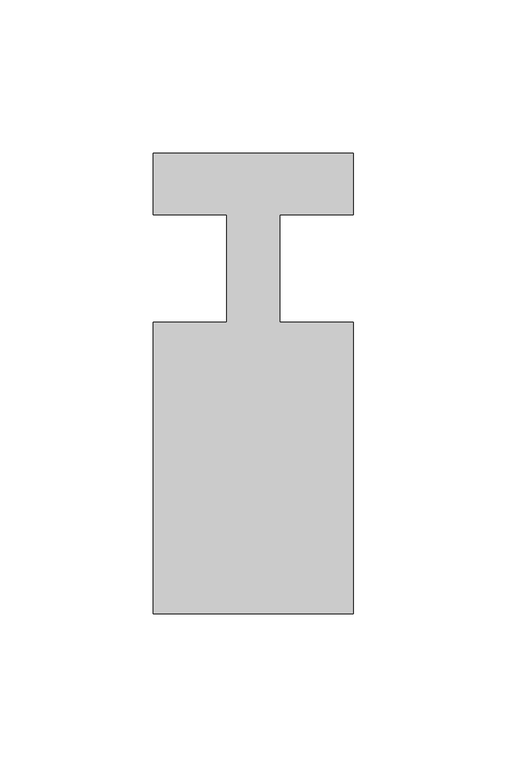
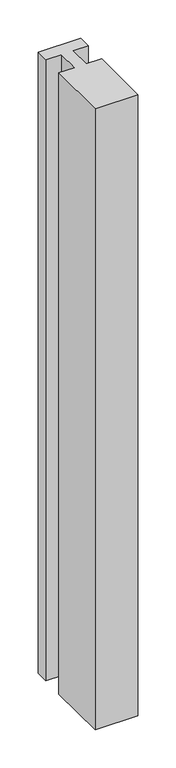
"""IFC4 building model written with IfcOpenShell, lengths in millimetres: member geometry."""

from ifc_helpers import new_model, si_unit, frame, origin, place, context, project, spatial, polyline, outline, extrude, source, transform, mapped, element, save


def member_cf8b7b99(model_context):
    return source(origin(), model_context, "Body", "SweptSolid", [
        extrude(outline(polyline([(-65.0, 37.0), (0.0, 37.0), (0.0, 17.0), (-23.8125, 17.0), (-23.8125, -18.0), (0.0, -18.0), (0.0, -113.0), (-65.0, -113.0), (-65.0, -18.0), (-41.1875, -18.0), (-41.1875, 17.0), (-65.0, 17.0), (-65.0, 37.0)])), frame((0.0, 0.0, -997.5), z_axis=(0.0, 0.0, 1.0), x_axis=(1.0, 0.0, 0.0)), (0.0, 0.0, 1.0), 997.5),
    ])


if __name__ == "__main__":
    model = new_model("IFC4")
    model_context = context("Model", 3, world=origin())
    ifc_project = project(units=[si_unit("LENGTHUNIT", "METRE", prefix="MILLI")], contexts=[model_context])
    site = spatial("IfcSite", under=ifc_project)
    building = spatial("IfcBuilding", under=site)
    placement = place(None, origin())
    member_shape = member_cf8b7b99(model_context)
    element("IfcMember", 1, at=placement, inside=building, context=model_context, shape_type="MappedRepresentation", body=[
        mapped(member_shape, transform((0.0, 0.0, 0.0), x_axis=(1.0, 0.0, 0.0), y_axis=(0.0, 1.0, 0.0), z_axis=(0.0, 0.0, 1.0))),
    ])
    save(model, "model.ifc")
